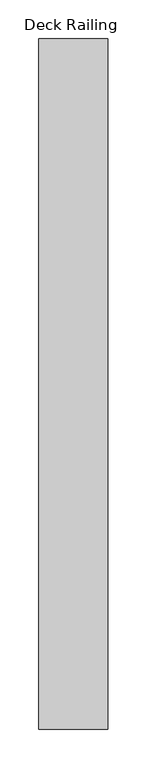
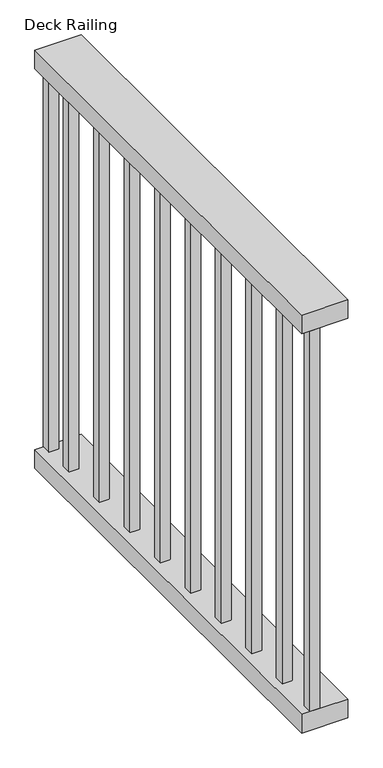
"""IFC4 building model written with IfcOpenShell, lengths in millimetres: railing geometry, Deck Railing."""

from ifc_helpers import new_model, si_unit, frame, origin, place, context, project, spatial, polyline, outline, extrude, source, transform, mapped, element, save


def deck_railing_7e432059(model_context):
    return source(origin(), model_context, "Body", "SweptSolid", [
        extrude(outline(polyline([(-8646.4871552, -2430.5167866), (-8735.3871552, -2430.5167866), (-8735.3871552, -1541.5167866), (-8646.4871552, -1541.5167866), (-8646.4871552, -2430.5167866)])), frame((0.0, 0.0, 2095.5), z_axis=(0.0, 0.0, 1.0), x_axis=(1.0, 0.0, 0.0)), (0.0, 0.0, 1.0), 38.1),
        extrude(outline(polyline([(-8646.4871552, -2430.5167866), (-8735.3871552, -2430.5167866), (-8735.3871552, -1541.5167866), (-8646.4871552, -1541.5167866), (-8646.4871552, -2430.5167866)])), frame((0.0, 0.0, 1282.7), z_axis=(0.0, 0.0, 1.0), x_axis=(1.0, 0.0, 0.0)), (0.0, 0.0, 1.0), 38.1),
        extrude(outline(polyline([(-8700.4621552, -1627.2417866), (-8719.5121552, -1627.2417866), (-8719.5121552, -1608.1917866), (-8700.4621552, -1608.1917866), (-8700.4621552, -1627.2417866)])), frame((0.0, 0.0, 1320.8), z_axis=(0.0, 0.0, 1.0), x_axis=(1.0, 0.0, 0.0)), (0.0, 0.0, 1.0), 774.7),
        extrude(outline(polyline([(-8700.4621552, -1728.8417866), (-8719.5121552, -1728.8417866), (-8719.5121552, -1709.7917866), (-8700.4621552, -1709.7917866), (-8700.4621552, -1728.8417866)])), frame((0.0, 0.0, 1320.8), z_axis=(0.0, 0.0, 1.0), x_axis=(1.0, 0.0, 0.0)), (0.0, 0.0, 1.0), 774.7),
        extrude(outline(polyline([(-8700.4621552, -1830.4417866), (-8719.5121552, -1830.4417866), (-8719.5121552, -1811.3917866), (-8700.4621552, -1811.3917866), (-8700.4621552, -1830.4417866)])), frame((0.0, 0.0, 1320.8), z_axis=(0.0, 0.0, 1.0), x_axis=(1.0, 0.0, 0.0)), (0.0, 0.0, 1.0), 774.7),
        extrude(outline(polyline([(-8700.4621552, -1932.0417866), (-8719.5121552, -1932.0417866), (-8719.5121552, -1912.9917866), (-8700.4621552, -1912.9917866), (-8700.4621552, -1932.0417866)])), frame((0.0, 0.0, 1320.8), z_axis=(0.0, 0.0, 1.0), x_axis=(1.0, 0.0, 0.0)), (0.0, 0.0, 1.0), 774.7),
        extrude(outline(polyline([(-8700.4621552, -2033.6417866), (-8719.5121552, -2033.6417866), (-8719.5121552, -2014.5917866), (-8700.4621552, -2014.5917866), (-8700.4621552, -2033.6417866)])), frame((0.0, 0.0, 1320.8), z_axis=(0.0, 0.0, 1.0), x_axis=(1.0, 0.0, 0.0)), (0.0, 0.0, 1.0), 774.7),
        extrude(outline(polyline([(-8700.4621552, -2135.2417866), (-8719.5121552, -2135.2417866), (-8719.5121552, -2116.1917866), (-8700.4621552, -2116.1917866), (-8700.4621552, -2135.2417866)])), frame((0.0, 0.0, 1320.8), z_axis=(0.0, 0.0, 1.0), x_axis=(1.0, 0.0, 0.0)), (0.0, 0.0, 1.0), 774.7),
        extrude(outline(polyline([(-8700.4621552, -2236.8417866), (-8719.5121552, -2236.8417866), (-8719.5121552, -2217.7917866), (-8700.4621552, -2217.7917866), (-8700.4621552, -2236.8417866)])), frame((0.0, 0.0, 1320.8), z_axis=(0.0, 0.0, 1.0), x_axis=(1.0, 0.0, 0.0)), (0.0, 0.0, 1.0), 774.7),
        extrude(outline(polyline([(-8700.4621552, -2338.4417866), (-8719.5121552, -2338.4417866), (-8719.5121552, -2319.3917866), (-8700.4621552, -2319.3917866), (-8700.4621552, -2338.4417866)])), frame((0.0, 0.0, 1320.8), z_axis=(0.0, 0.0, 1.0), x_axis=(1.0, 0.0, 0.0)), (0.0, 0.0, 1.0), 774.7),
        extrude(outline(polyline([(-8700.4621552, -1560.5667866), (-8719.5121552, -1560.5667866), (-8719.5121552, -1541.5167866), (-8700.4621552, -1541.5167866), (-8700.4621552, -1560.5667866)])), frame((0.0, 0.0, 1320.8), z_axis=(0.0, 0.0, 1.0), x_axis=(1.0, 0.0, 0.0)), (0.0, 0.0, 1.0), 774.7),
        extrude(outline(polyline([(-8700.4621552, -2430.5167866), (-8719.5121552, -2430.5167866), (-8719.5121552, -2411.4667866), (-8700.4621552, -2411.4667866), (-8700.4621552, -2430.5167866)])), frame((0.0, 0.0, 1320.8), z_axis=(0.0, 0.0, 1.0), x_axis=(1.0, 0.0, 0.0)), (0.0, 0.0, 1.0), 774.7),
    ])


if __name__ == "__main__":
    model = new_model("IFC4")
    model_context = context("Model", 3, world=origin())
    ifc_project = project(units=[si_unit("LENGTHUNIT", "METRE", prefix="MILLI")], contexts=[model_context])
    site = spatial("IfcSite", under=ifc_project)
    building = spatial("IfcBuilding", under=site)
    placement = place(None, origin())
    deck_railing_shape = deck_railing_7e432059(model_context)
    element("IfcRailing", 1, ObjectType="Deck Railing", at=placement, inside=building, context=model_context, shape_type="MappedRepresentation", body=[
        mapped(deck_railing_shape, transform((0.0, 0.0, 0.0), x_axis=(1.0, 0.0, 0.0), y_axis=(0.0, 1.0, 0.0), z_axis=(0.0, 0.0, 1.0))),
    ])
    save(model, "model.ifc")
